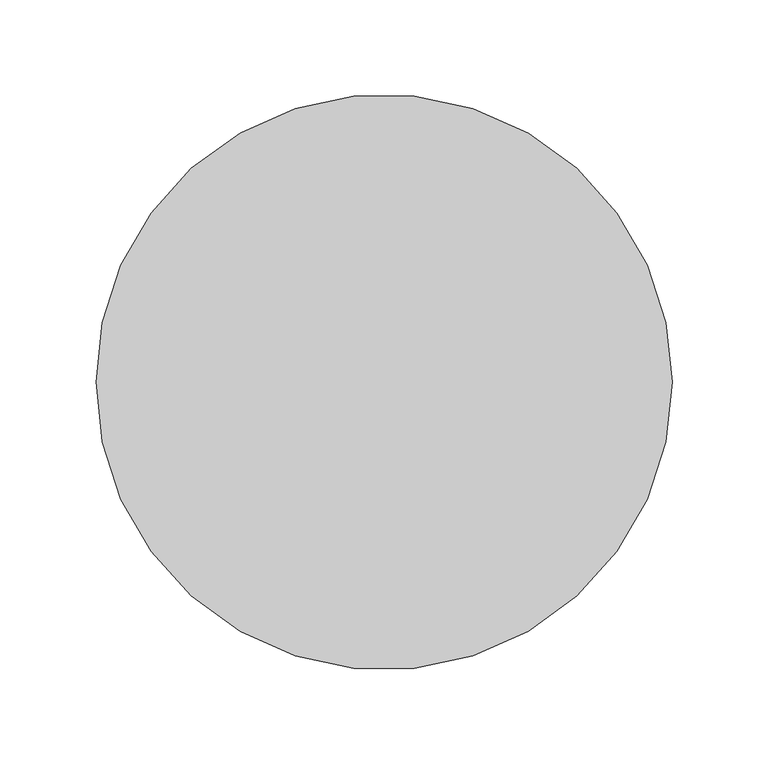
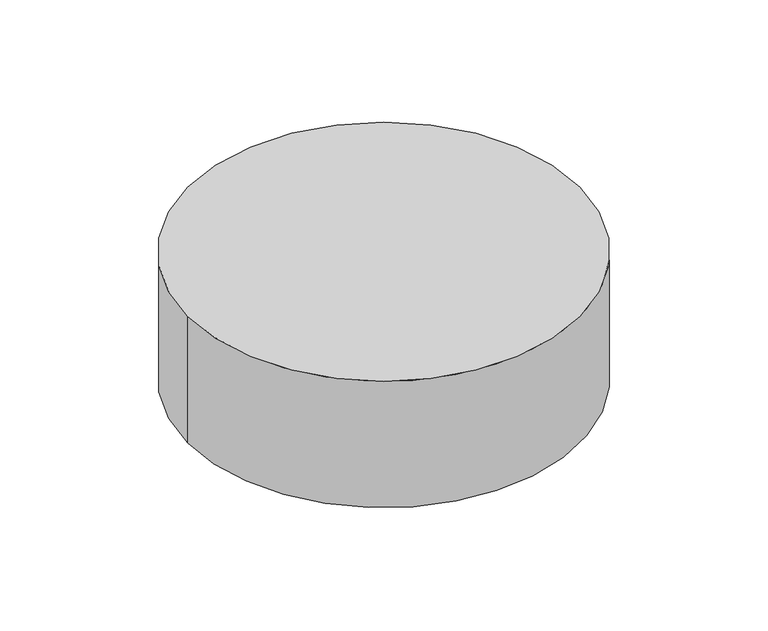
"""IFC4 building model written with IfcOpenShell, lengths in millimetres: light fixture geometry."""

from ifc_helpers import new_model, si_unit, point, frame, origin, origin_with_axes, origin_2d, place, context, project, spatial, polyline, circle_curve, trimmed, segment, composite_curve, outline, extrude, source, transform, mapped, element, save
from ifc_brep_helpers import plane_surface, cylinder_surface, revolved_surface, advanced_brep


def light_fixture_a6b61ff0(model_context):
    return source(origin(), model_context, "Body", "SolidModel", [
        advanced_brep(
        [(-150.0, 0.0, 0.0), (150.0, 0.0, 0.0), (-150.0, 0.0, -102.5), (150.0, 0.0, -102.5), (-145.0, 0.0, -102.5), (145.0, 0.0, -102.5), (-150.0, 0.0, -10.0), (150.0, 0.0, -10.0), (145.0, 0.0, -10.0), (-145.0, 0.0, -10.0)],
        [
            (0, 1, circle_curve(origin_with_axes(), 150.0)),
            (1, 0, circle_curve(origin_with_axes(), 150.0)),
            (2, 3, circle_curve(frame((0.0, 0.0, -102.5), z_axis=(0.0, 0.0, -1.0), x_axis=(1.0, 0.0, 0.0)), 150.0)),
            (3, 2, circle_curve(frame((0.0, 0.0, -102.5), z_axis=(0.0, 0.0, -1.0), x_axis=(1.0, 0.0, 0.0)), 150.0)),
            (4, 5, circle_curve(frame((0.0, 0.0, -102.5), z_axis=(0.0, 0.0, 1.0), x_axis=(1.0, 0.0, 0.0)), 145.0)),
            (5, 4, circle_curve(frame((0.0, 0.0, -102.5), z_axis=(0.0, 0.0, 1.0), x_axis=(1.0, 0.0, 0.0)), 145.0)),
            (0, 6),
            (6, 2),
            (3, 7),
            (7, 1),
            (5, 8),
            (8, 9, circle_curve(frame((0.0, 0.0, -10.0), z_axis=(0.0, 0.0, 1.0), x_axis=(1.0, 0.0, 0.0)), 145.0)),
            (9, 4),
            (9, 8, circle_curve(frame((0.0, 0.0, -10.0), z_axis=(0.0, 0.0, 1.0), x_axis=(1.0, 0.0, 0.0)), 145.0)),
        ],
        [
            plane_surface(frame((150.0, 0.0, 0.0), z_axis=(0.0, 0.0, 1.0), x_axis=(0.0, 1.0, 0.0))),
            plane_surface(frame((150.0, 0.0, -102.5), z_axis=(0.0, 0.0, -1.0), x_axis=(0.0, -1.0, 0.0))),
            cylinder_surface(frame((0.0, 0.0, -102.5), z_axis=(0.0, 0.0, 1.0), x_axis=(1.0, 0.0, 0.0)), 150.0),
            revolved_surface(polyline([(145.0, 0.0, -102.5), (145.0, 0.0, -10.0)]), (0.0, 0.0, 0.0), (0.0, 0.0, -1.0)),
            plane_surface(frame((150.0, 0.0, -10.0), z_axis=(0.0, 0.0, -1.0), x_axis=(0.0, -1.0, 0.0))),
        ],
        [
            (0, [[1, 2]]),
            (1, [[3, 4], [5, 6]]),
            (2, [[-1, 7, 8, -4, 9, 10]]),
            (2, [[-2, -10, -9, -3, -8, -7]]),
            (3, [[-6, 11, 12, 13]]),
            (3, [[-5, -13, 14, -11]]),
            (4, [[-12, -14]]),
        ],
    ),
        extrude(outline(composite_curve([segment(trimmed(circle_curve(origin_2d(), 145.0), [point((145.0, 0.0))], [point((-145.0, 0.0))], False, "CARTESIAN"), True, "CONTINUOUS"), segment(trimmed(circle_curve(origin_2d(), 145.0), [point((-145.0, 0.0))], [point((145.0, 0.0))], False, "CARTESIAN"), True, "CONTINUOUS")], self_intersect=False)), frame((0.0, 0.0, -94.5), z_axis=(0.0, 0.0, 1.0), x_axis=(1.0, 0.0, 0.0)), (0.0, 0.0, 1.0), 8.0),
    ])


if __name__ == "__main__":
    model = new_model("IFC4")
    model_context = context("Model", 3, world=origin())
    ifc_project = project(units=[si_unit("LENGTHUNIT", "METRE", prefix="MILLI")], contexts=[model_context])
    site = spatial("IfcSite", under=ifc_project)
    building = spatial("IfcBuilding", under=site)
    placement = place(None, origin())
    light_fixture_shape = light_fixture_a6b61ff0(model_context)
    element("IfcLightFixture", 1, at=placement, inside=building, context=model_context, shape_type="MappedRepresentation", body=[
        mapped(light_fixture_shape, transform((0.0, 0.0, 0.0), x_axis=(1.0, 0.0, 0.0), y_axis=(0.0, 1.0, 0.0), z_axis=(0.0, 0.0, 1.0))),
    ])
    save(model, "model.ifc")
